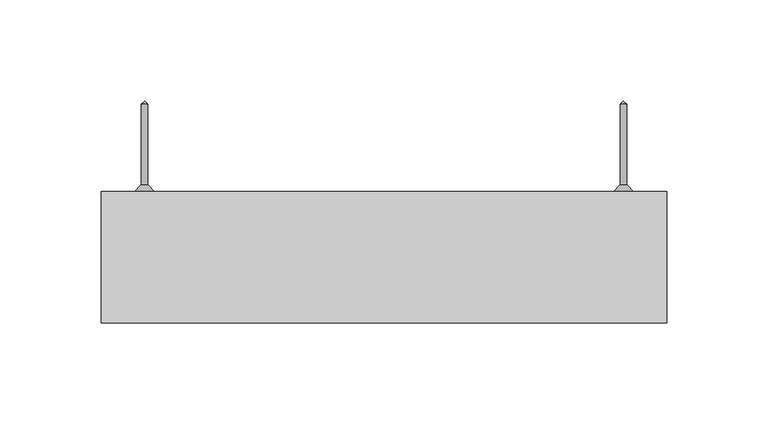
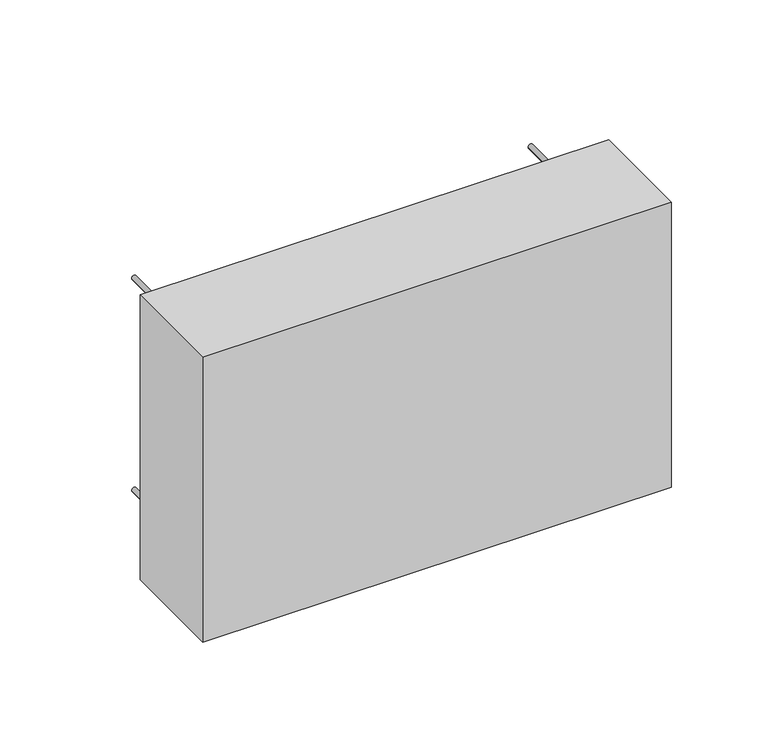
"""IFC4 building model written with IfcOpenShell, lengths in millimetres: proxy geometry."""

from ifc_helpers import new_model, si_unit, point, frame, origin, place, context, project, spatial, polyline, circle_curve, ellipse_curve, trimmed, outline, extrude, source, transform, mapped, element, save
from ifc_brep_helpers import plane_surface, cylinder_surface, revolved_surface, advanced_brep


def specialty_equipment_d793ec4d(model_context):
    return source(origin(), model_context, "Body", "SolidModel", [
        advanced_brep(
        [(-117.0, 43.5, 2743.0), (-120.0, 43.5, 2743.0), (-120.0, 3.5, 2743.0), (-117.0, 3.5, 2743.0), (-118.5, 45.0, 2743.0), (-113.5, 0.0, 2743.0), (-123.5, 0.0, 2743.0), (-118.5, 0.0, 2743.0)],
        [
            (0, 1, circle_curve(frame((-118.5, 43.5, 2743.0), z_axis=(0.0, -1.0, 0.0), x_axis=(-1.0, 0.0, 0.0)), 1.5)),
            (1, 2),
            (2, 3, circle_curve(frame((-118.5, 3.5, 2743.0), z_axis=(0.0, 1.0, 0.0), x_axis=(-1.0, 0.0, 0.0)), 1.5)),
            (3, 0),
            (1, 0, circle_curve(frame((-118.5, 43.5, 2743.0), z_axis=(0.0, -1.0, 0.0), x_axis=(-1.0, 0.0, 0.0)), 1.5)),
            (3, 2, circle_curve(frame((-118.5, 3.5, 2743.0), z_axis=(0.0, 1.0, 0.0), x_axis=(-1.0, 0.0, 0.0)), 1.5)),
            (4, 1),
            (0, 4),
            (5, 6, circle_curve(frame((-118.5, 0.0, 2743.0), z_axis=(0.0, -1.0, 0.0), x_axis=(-1.0, 0.0, 0.0)), 5.0)),
            (6, 7),
            (7, 5),
            (6, 5, circle_curve(frame((-118.5, 0.0, 2743.0), z_axis=(0.0, -1.0, 0.0), x_axis=(-1.0, 0.0, 0.0)), 5.0)),
            (2, 6),
            (5, 3),
        ],
        [
            cylinder_surface(frame((-118.5, 0.0, 2743.0), z_axis=(0.0, 1.0, 0.0), x_axis=(-1.0, 0.0, 0.0)), 1.5),
            revolved_surface(polyline([(-120.0, 43.5, 2743.0), (-118.5, 45.0, 2743.0)]), (-118.5, 0.0, 2743.0), (0.0, 1.0, 0.0)),
            plane_surface(frame((-118.5, 0.0, 2743.0), z_axis=(0.0, -1.0, 0.0), x_axis=(-1.0, 0.0, 0.0))),
            revolved_surface(polyline([(-123.5, 0.0, 2743.0), (-120.0, 3.5, 2743.0)]), (-118.5, 0.0, 2743.0), (0.0, 1.0, 0.0)),
        ],
        [
            (0, [[1, 2, 3, 4]]),
            (0, [[5, -4, 6, -2]]),
            (1, [[7, -1, 8]]),
            (1, [[-8, -5, -7]]),
            (2, [[9, 10, 11]]),
            (2, [[12, -11, -10]]),
            (3, [[-3, 13, -9, 14]]),
            (3, [[-6, -14, -12, -13]]),
        ],
    ),
        advanced_brep(
        [(-117.0, 43.5, 2877.0), (-120.0, 43.5, 2877.0), (-120.0, 3.5, 2877.0), (-117.0, 3.5, 2877.0), (-118.5, 45.0, 2877.0), (-113.5, 0.0, 2877.0), (-123.5, 0.0, 2877.0), (-118.5, 0.0, 2877.0)],
        [
            (0, 1, circle_curve(frame((-118.5, 43.5, 2877.0), z_axis=(0.0, -1.0, 0.0), x_axis=(-1.0, 0.0, 0.0)), 1.5)),
            (1, 2),
            (2, 3, circle_curve(frame((-118.5, 3.5, 2877.0), z_axis=(0.0, 1.0, 0.0), x_axis=(-1.0, 0.0, 0.0)), 1.5)),
            (3, 0),
            (1, 0, circle_curve(frame((-118.5, 43.5, 2877.0), z_axis=(0.0, -1.0, 0.0), x_axis=(-1.0, 0.0, 0.0)), 1.5)),
            (3, 2, circle_curve(frame((-118.5, 3.5, 2877.0), z_axis=(0.0, 1.0, 0.0), x_axis=(-1.0, 0.0, 0.0)), 1.5)),
            (4, 1),
            (0, 4),
            (5, 6, circle_curve(frame((-118.5, 0.0, 2877.0), z_axis=(0.0, -1.0, 0.0), x_axis=(-1.0, 0.0, 0.0)), 5.0)),
            (6, 7),
            (7, 5),
            (6, 5, circle_curve(frame((-118.5, 0.0, 2877.0), z_axis=(0.0, -1.0, 0.0), x_axis=(-1.0, 0.0, 0.0)), 5.0)),
            (2, 6),
            (5, 3),
        ],
        [
            cylinder_surface(frame((-118.5, 0.0, 2877.0), z_axis=(0.0, 1.0, 0.0), x_axis=(-1.0, 0.0, 0.0)), 1.5),
            revolved_surface(polyline([(-120.0, 43.5, 2877.0), (-118.5, 45.0, 2877.0)]), (-118.5, 0.0, 2877.0), (0.0, 1.0, 0.0)),
            plane_surface(frame((-118.5, 0.0, 2877.0), z_axis=(0.0, -1.0, 0.0), x_axis=(-1.0, 0.0, 0.0))),
            revolved_surface(polyline([(-123.5, 0.0, 2877.0), (-120.0, 3.5, 2877.0)]), (-118.5, 0.0, 2877.0), (0.0, 1.0, 0.0)),
        ],
        [
            (0, [[1, 2, 3, 4]]),
            (0, [[5, -4, 6, -2]]),
            (1, [[7, -1, 8]]),
            (1, [[-8, -5, -7]]),
            (2, [[9, 10, 11]]),
            (2, [[12, -11, -10]]),
            (3, [[-3, 13, -9, 14]]),
            (3, [[-6, -14, -12, -13]]),
        ],
    ),
        advanced_brep(
        [(120.0, 43.5, 2877.0), (117.0, 43.5, 2877.0), (117.0, 3.5, 2877.0), (120.0, 3.5, 2877.0), (118.5, 45.0, 2877.0), (123.5, 0.0, 2877.0), (113.5, 0.0, 2877.0), (118.5, 0.0, 2877.0)],
        [
            (0, 1, circle_curve(frame((118.5, 43.5, 2877.0), z_axis=(0.0, -1.0, 0.0), x_axis=(-1.0, 0.0, 0.0)), 1.5)),
            (1, 2),
            (2, 3, circle_curve(frame((118.5, 3.5, 2877.0), z_axis=(0.0, 1.0, 0.0), x_axis=(-1.0, 0.0, 0.0)), 1.5)),
            (3, 0),
            (1, 0, circle_curve(frame((118.5, 43.5, 2877.0), z_axis=(0.0, -1.0, 0.0), x_axis=(-1.0, 0.0, 0.0)), 1.5)),
            (3, 2, circle_curve(frame((118.5, 3.5, 2877.0), z_axis=(0.0, 1.0, 0.0), x_axis=(-1.0, 0.0, 0.0)), 1.5)),
            (4, 1),
            (0, 4),
            (5, 6, circle_curve(frame((118.5, 0.0, 2877.0), z_axis=(0.0, -1.0, 0.0), x_axis=(-1.0, 0.0, 0.0)), 5.0)),
            (6, 7),
            (7, 5),
            (6, 5, circle_curve(frame((118.5, 0.0, 2877.0), z_axis=(0.0, -1.0, 0.0), x_axis=(-1.0, 0.0, 0.0)), 5.0)),
            (2, 6),
            (5, 3),
        ],
        [
            cylinder_surface(frame((118.5, 0.0, 2877.0), z_axis=(0.0, 1.0, 0.0), x_axis=(-1.0, 0.0, 0.0)), 1.5),
            revolved_surface(polyline([(117.0, 43.5, 2877.0), (118.5, 45.0, 2877.0)]), (118.5, 0.0, 2877.0), (0.0, 1.0, 0.0)),
            plane_surface(frame((118.5, 0.0, 2877.0), z_axis=(0.0, -1.0, 0.0), x_axis=(-1.0, 0.0, 0.0))),
            revolved_surface(polyline([(113.5, 0.0, 2877.0), (117.0, 3.5, 2877.0)]), (118.5, 0.0, 2877.0), (0.0, 1.0, 0.0)),
        ],
        [
            (0, [[1, 2, 3, 4]]),
            (0, [[5, -4, 6, -2]]),
            (1, [[7, -1, 8]]),
            (1, [[-8, -5, -7]]),
            (2, [[9, 10, 11]]),
            (2, [[12, -11, -10]]),
            (3, [[-3, 13, -9, 14]]),
            (3, [[-6, -14, -12, -13]]),
        ],
    ),
        advanced_brep(
        [(120.0, 43.5, 2743.0), (117.0, 43.5, 2743.0), (117.0, 3.5, 2743.0), (120.0, 3.5, 2743.0), (118.5, 45.0, 2743.0), (123.5, 0.0, 2743.0), (113.5, 0.0, 2743.0), (118.5, 0.0, 2743.0)],
        [
            (0, 1, circle_curve(frame((118.5, 43.5, 2743.0), z_axis=(0.0, -1.0, 0.0), x_axis=(-1.0, 0.0, 0.0)), 1.5)),
            (1, 2),
            (2, 3, circle_curve(frame((118.5, 3.5, 2743.0), z_axis=(0.0, 1.0, 0.0), x_axis=(-1.0, 0.0, 0.0)), 1.5)),
            (3, 0),
            (1, 0, circle_curve(frame((118.5, 43.5, 2743.0), z_axis=(0.0, -1.0, 0.0), x_axis=(-1.0, 0.0, 0.0)), 1.5)),
            (3, 2, circle_curve(frame((118.5, 3.5, 2743.0), z_axis=(0.0, 1.0, 0.0), x_axis=(-1.0, 0.0, 0.0)), 1.5)),
            (4, 1),
            (0, 4),
            (5, 6, circle_curve(frame((118.5, 0.0, 2743.0), z_axis=(0.0, -1.0, 0.0), x_axis=(-1.0, 0.0, 0.0)), 5.0)),
            (6, 7),
            (7, 5),
            (6, 5, circle_curve(frame((118.5, 0.0, 2743.0), z_axis=(0.0, -1.0, 0.0), x_axis=(-1.0, 0.0, 0.0)), 5.0)),
            (2, 6),
            (5, 3),
        ],
        [
            cylinder_surface(frame((118.5, 0.0, 2743.0), z_axis=(0.0, 1.0, 0.0), x_axis=(-1.0, 0.0, 0.0)), 1.5),
            revolved_surface(polyline([(117.0, 43.5, 2743.0), (118.5, 45.0, 2743.0)]), (118.5, 0.0, 2743.0), (0.0, 1.0, 0.0)),
            plane_surface(frame((118.5, 0.0, 2743.0), z_axis=(0.0, -1.0, 0.0), x_axis=(-1.0, 0.0, 0.0))),
            revolved_surface(polyline([(113.5, 0.0, 2743.0), (117.0, 3.5, 2743.0)]), (118.5, 0.0, 2743.0), (0.0, 1.0, 0.0)),
        ],
        [
            (0, [[1, 2, 3, 4]]),
            (0, [[5, -4, 6, -2]]),
            (1, [[7, -1, 8]]),
            (1, [[-8, -5, -7]]),
            (2, [[9, 10, 11]]),
            (2, [[12, -11, -10]]),
            (3, [[-3, 13, -9, 14]]),
            (3, [[-6, -14, -12, -13]]),
        ],
    ),
        advanced_brep(
        [(-50.0, -51.5, 2720.0), (-50.0, -13.5, 2720.0), (-50.0, -32.5, 2720.0), (-50.0, -32.5, 2710.0)],
        [
            (0, 1, circle_curve(frame((-50.0, -32.5, 2720.0), z_axis=(0.0, 0.0, 1.0), x_axis=(0.0, 1.0, 0.0)), 19.0)),
            (1, 2),
            (2, 0),
            (1, 0, circle_curve(frame((-50.0, -32.5, 2720.0), z_axis=(0.0, 0.0, 1.0), x_axis=(0.0, 1.0, 0.0)), 19.0)),
            (3, 1, circle_curve(frame((-50.0, -30.3012346, 2728.8723457), z_axis=(1.0, 0.0, 0.0), x_axis=(0.0, 0.0, -1.0)), 19.0)),
            (0, 3, circle_curve(frame((-50.0, -34.6987654, 2728.8723457), z_axis=(1.0, 0.0, 0.0), x_axis=(0.0, 0.0, -1.0)), 19.0)),
        ],
        [
            plane_surface(frame((-50.0, -32.5, 2720.0), z_axis=(0.0, 0.0, 1.0), x_axis=(0.0, 1.0, 0.0))),
            revolved_surface(trimmed(ellipse_curve(frame((-50.0, -30.3012346, 2728.8723457), z_axis=(-1.0, 0.0, 0.0), x_axis=(0.0, 0.0, -1.0)), 19.0, 19.0), [point((-50.0, -13.5, 2720.0))], [point((-50.0, -32.5, 2710.0))], True, "CARTESIAN"), (-50.0, -32.5, 2720.0), (0.0, 0.0, -1.0)),
        ],
        [
            (0, [[1, 2, 3]]),
            (0, [[4, -3, -2]]),
            (1, [[5, -1, 6]]),
            (1, [[-6, -4, -5]]),
        ],
    ),
        advanced_brep(
        [(50.0, -51.5, 2720.0), (50.0, -13.5, 2720.0), (50.0, -32.5, 2720.0), (50.0, -32.5, 2710.0)],
        [
            (0, 1, circle_curve(frame((50.0, -32.5, 2720.0), z_axis=(0.0, 0.0, 1.0), x_axis=(0.0, 1.0, 0.0)), 19.0)),
            (1, 2),
            (2, 0),
            (1, 0, circle_curve(frame((50.0, -32.5, 2720.0), z_axis=(0.0, 0.0, 1.0), x_axis=(0.0, 1.0, 0.0)), 19.0)),
            (3, 1, circle_curve(frame((50.0, -30.3012346, 2728.8723457), z_axis=(1.0, 0.0, 0.0), x_axis=(0.0, 0.0, -1.0)), 19.0)),
            (0, 3, circle_curve(frame((50.0, -34.6987654, 2728.8723457), z_axis=(1.0, 0.0, 0.0), x_axis=(0.0, 0.0, -1.0)), 19.0)),
        ],
        [
            plane_surface(frame((50.0, -32.5, 2720.0), z_axis=(0.0, 0.0, 1.0), x_axis=(0.0, 1.0, 0.0))),
            revolved_surface(trimmed(ellipse_curve(frame((50.0, -30.3012346, 2728.8723457), z_axis=(-1.0, 0.0, 0.0), x_axis=(0.0, 0.0, -1.0)), 19.0, 19.0), [point((50.0, -13.5, 2720.0))], [point((50.0, -32.5, 2710.0))], True, "CARTESIAN"), (50.0, -32.5, 2720.0), (0.0, 0.0, -1.0)),
        ],
        [
            (0, [[1, 2, 3]]),
            (0, [[4, -3, -2]]),
            (1, [[5, -1, 6]]),
            (1, [[-6, -4, -5]]),
        ],
    ),
        extrude(outline(polyline([(-140.0, -65.0), (-140.0, 0.0), (140.0, 0.0), (140.0, -65.0), (-140.0, -65.0)])), frame((0.0, 0.0, 2720.0), z_axis=(0.0, 0.0, 1.0), x_axis=(1.0, 0.0, 0.0)), (0.0, 0.0, 1.0), 180.0),
    ])


if __name__ == "__main__":
    model = new_model("IFC4")
    model_context = context("Model", 3, world=origin())
    ifc_project = project(units=[si_unit("LENGTHUNIT", "METRE", prefix="MILLI")], contexts=[model_context])
    site = spatial("IfcSite", under=ifc_project)
    building = spatial("IfcBuilding", under=site)
    placement = place(None, origin())
    specialty_equipment_shape = specialty_equipment_d793ec4d(model_context)
    element("IfcBuildingElementProxy", 1, Name="Specialty Equipment", at=placement, inside=building, context=model_context, shape_type="MappedRepresentation", body=[
        mapped(specialty_equipment_shape, transform((0.0, 0.0, 0.0), x_axis=(1.0, 0.0, 0.0), y_axis=(0.0, 1.0, 0.0), z_axis=(0.0, 0.0, 1.0))),
    ])
    save(model, "model.ifc")
